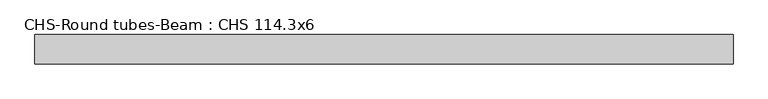
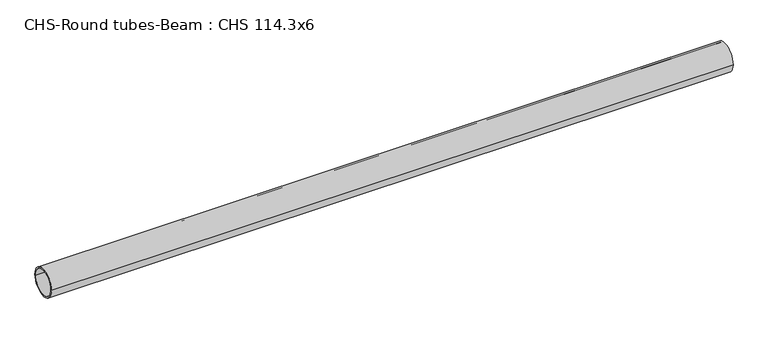
"""IFC4 building model written with IfcOpenShell, lengths in millimetres: beam geometry, CHS-Round tubes-Beam : CHS 114.3x6."""

from ifc_helpers import new_model, si_unit, point, frame, origin, origin_2d, place, context, project, spatial, circle_curve, trimmed, segment, composite_curve, outline, extrude, source, transform, mapped, element, save


def chs_round_tubes_beam_chs_114_3x6_cc327414(model_context):
    return source(origin(), model_context, "Body", "SweptSolid", [
        extrude(outline(composite_curve([segment(trimmed(circle_curve(origin_2d(), 57.15), [point((57.15, 0.0))], [point((-57.15, 0.0))], False, "CARTESIAN"), True, "CONTINUOUS"), segment(trimmed(circle_curve(origin_2d(), 57.15), [point((-57.15, 0.0))], [point((57.15, 0.0))], False, "CARTESIAN"), True, "CONTINUOUS")], self_intersect=False), holes=[composite_curve([segment(trimmed(circle_curve(origin_2d(), 51.15), [point((51.15, 0.0))], [point((-51.15, 0.0))], True, "CARTESIAN"), True, "CONTINUOUS"), segment(trimmed(circle_curve(origin_2d(), 51.15), [point((-51.15, 0.0))], [point((51.15, 0.0))], True, "CARTESIAN"), True, "CONTINUOUS")], self_intersect=False)]), frame((-1361.3811139, 0.0, 0.0), z_axis=(1.0, 0.0, 0.0), x_axis=(0.0, 1.0, 0.0)), (0.0, 0.0, 1.0), 2734.6777565),
    ])


if __name__ == "__main__":
    model = new_model("IFC4")
    model_context = context("Model", 3, world=origin())
    ifc_project = project(units=[si_unit("LENGTHUNIT", "METRE", prefix="MILLI")], contexts=[model_context])
    site = spatial("IfcSite", under=ifc_project)
    building = spatial("IfcBuilding", under=site)
    placement = place(None, origin())
    chs_round_tubes_beam_chs_114_3x6_shape = chs_round_tubes_beam_chs_114_3x6_cc327414(model_context)
    element("IfcBeam", 1, ObjectType="CHS-Round tubes-Beam : CHS 114.3x6", at=placement, inside=building, context=model_context, shape_type="MappedRepresentation", body=[
        mapped(chs_round_tubes_beam_chs_114_3x6_shape, transform((0.0, 0.0, 0.0), x_axis=(1.0, 0.0, 0.0), y_axis=(0.0, 1.0, 0.0), z_axis=(0.0, 0.0, 1.0))),
    ])
    save(model, "model.ifc")
